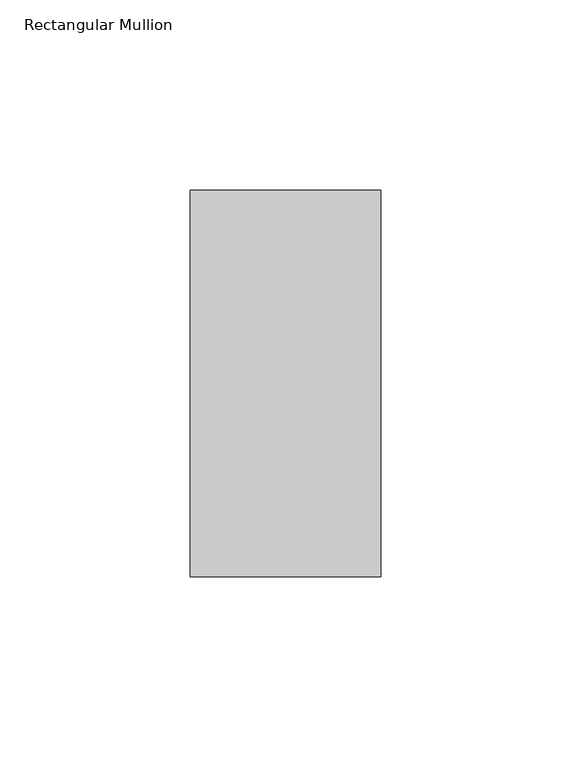
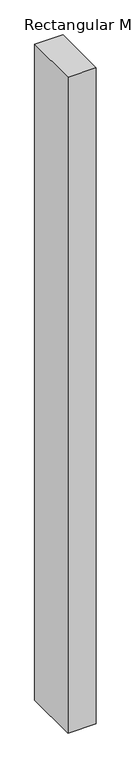
"""IFC4 building model written with IfcOpenShell, lengths in millimetres: member geometry, Rectangular Mullion."""

from ifc_helpers import new_model, si_unit, frame, origin, place, context, project, spatial, polyline, outline, extrude, source, transform, mapped, element, save


def rectangular_mullion_7a260935(model_context):
    return source(origin(), model_context, "Body", "SweptSolid", [
        extrude(outline(polyline([(0.0, 50.8), (0.0, -50.8), (-50.0, -50.8), (-50.0, 50.8), (0.0, 50.8)])), frame((0.0, 0.0, -1225.0), z_axis=(0.0, 0.0, 1.0), x_axis=(1.0, 0.0, 0.0)), (0.0, 0.0, 1.0), 1225.0),
    ])


if __name__ == "__main__":
    model = new_model("IFC4")
    model_context = context("Model", 3, world=origin())
    ifc_project = project(units=[si_unit("LENGTHUNIT", "METRE", prefix="MILLI")], contexts=[model_context])
    site = spatial("IfcSite", under=ifc_project)
    building = spatial("IfcBuilding", under=site)
    placement = place(None, origin())
    rectangular_mullion_shape = rectangular_mullion_7a260935(model_context)
    element("IfcMember", 1, ObjectType="Rectangular Mullion", at=placement, inside=building, context=model_context, shape_type="MappedRepresentation", body=[
        mapped(rectangular_mullion_shape, transform((0.0, 0.0, 0.0), x_axis=(1.0, 0.0, 0.0), y_axis=(0.0, 1.0, 0.0), z_axis=(0.0, 0.0, 1.0))),
    ])
    save(model, "model.ifc")
